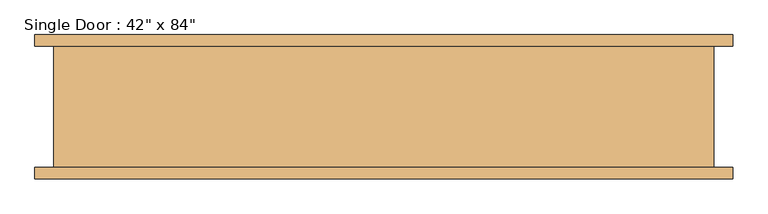
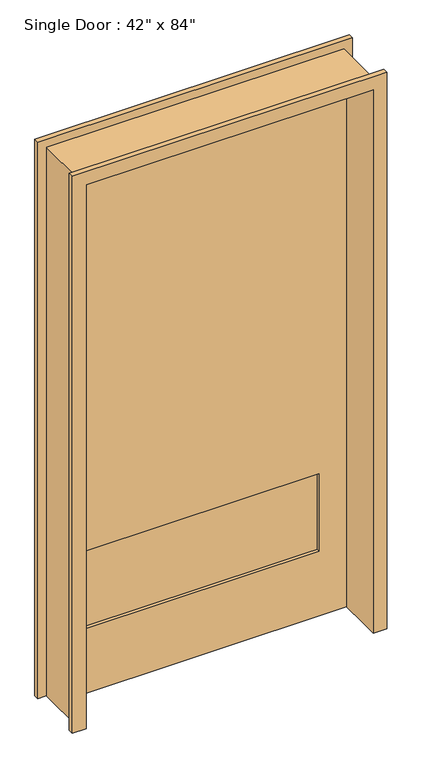
"""IFC4 building model written with IfcOpenShell, lengths in millimetres: door geometry."""

from ifc_helpers import new_model, si_unit, frame, origin, place, context, project, spatial, polyline, outline, extrude, faceted_brep, source, transform, mapped, element, save


def door_61f04918(model_context):
    return source(origin(), model_context, "Body", "SolidModel", [
        extrude(outline(polyline([(431.8, 63.5), (-431.8, 63.5), (-431.8, 76.2), (431.8, 76.2), (431.8, 63.5)])), frame((0.0, 0.0, 254.0), z_axis=(0.0, 0.0, 1.0), x_axis=(1.0, 0.0, 0.0)), (0.0, 0.0, 1.0), 304.8),
        faceted_brep([(-584.2, -101.6, 0.0), (-552.45, -101.6, 0.0), (-552.45, 101.6, 0.0), (-584.2, 101.6, 0.0), (-584.2, 120.65, 0.0), (-533.4, 120.65, 0.0), (-533.4, -120.65, 0.0), (-584.2, -120.65, 0.0), (-584.2, -101.6, 2184.4), (584.2, -101.6, 2184.4), (584.2, -101.6, 0.0), (552.45, -101.6, 0.0), (552.45, -101.6, 2152.65), (-552.45, -101.6, 2152.65), (-552.45, 101.6, 2152.65), (552.45, 101.6, 2152.65), (552.45, 101.6, 0.0), (584.2, 101.6, 0.0), (584.2, 101.6, 2184.4), (-584.2, 101.6, 2184.4), (-584.2, 120.65, 2184.4), (584.2, 120.65, 2184.4), (584.2, 120.65, 0.0), (533.4, 120.65, 0.0), (533.4, 120.65, 2133.6), (-533.4, 120.65, 2133.6), (-533.4, -120.65, 2133.6), (533.4, -120.65, 2133.6), (533.4, -120.65, 0.0), (584.2, -120.65, 0.0), (584.2, -120.65, 2184.4), (-584.2, -120.65, 2184.4)], [[[0, 1, 2, 3, 4, 5, 6, 7]], [[1, 0, 8, 9, 10, 11, 12, 13]], [[2, 1, 13, 14]], [[3, 2, 14, 15, 16, 17, 18, 19]], [[4, 3, 19, 20]], [[5, 4, 20, 21, 22, 23, 24, 25]], [[6, 5, 25, 26]], [[7, 6, 26, 27, 28, 29, 30, 31]], [[0, 7, 31, 8]], [[13, 12, 15, 14]], [[19, 18, 21, 20]], [[25, 24, 27, 26]], [[9, 8, 31, 30]], [[11, 10, 29, 28, 23, 22, 17, 16]], [[12, 11, 16, 15]], [[18, 17, 22, 21]], [[24, 23, 28, 27]], [[10, 9, 30, 29]]]),
        extrude(outline(polyline([(2133.6, 533.4), (2133.6, -533.4), (0.0, -533.4), (0.0, 533.4), (2133.6, 533.4)]), holes=[polyline([(558.8, 431.8), (254.0, 431.8), (254.0, -431.8), (558.8, -431.8), (558.8, 431.8)])]), frame((0.0, 50.8, 0.0), z_axis=(0.0, 1.0, 0.0), x_axis=(0.0, 0.0, 1.0)), (0.0, 0.0, 1.0), 50.8),
    ])


if __name__ == "__main__":
    model = new_model("IFC4")
    model_context = context("Model", 3, world=origin())
    ifc_project = project(units=[si_unit("LENGTHUNIT", "METRE", prefix="MILLI")], contexts=[model_context])
    site = spatial("IfcSite", under=ifc_project)
    building = spatial("IfcBuilding", under=site)
    placement = place(None, origin())
    door_shape = door_61f04918(model_context)
    element("IfcDoor", 1, ObjectType="Single Door : 42\" x 84\"", at=placement, inside=building, context=model_context, shape_type="MappedRepresentation", body=[
        mapped(door_shape, transform((0.0, 0.0, 0.0), x_axis=(1.0, 0.0, 0.0), y_axis=(0.0, 1.0, 0.0), z_axis=(0.0, 0.0, 1.0))),
    ])
    save(model, "model.ifc")
